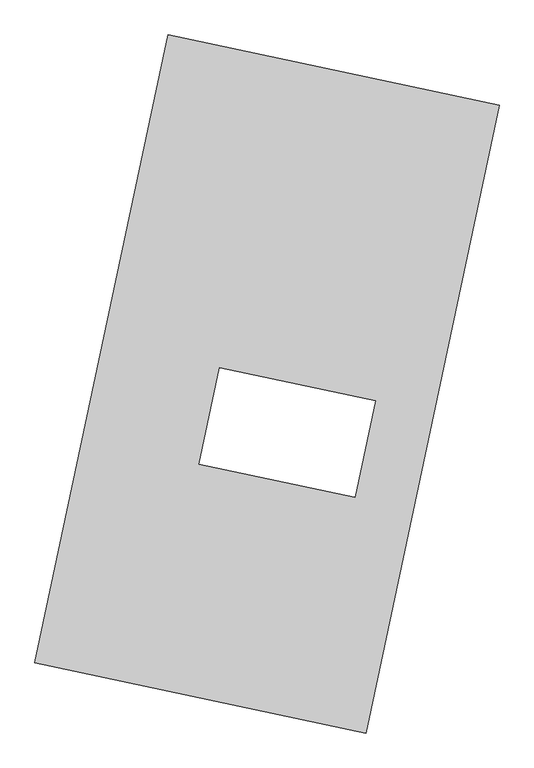
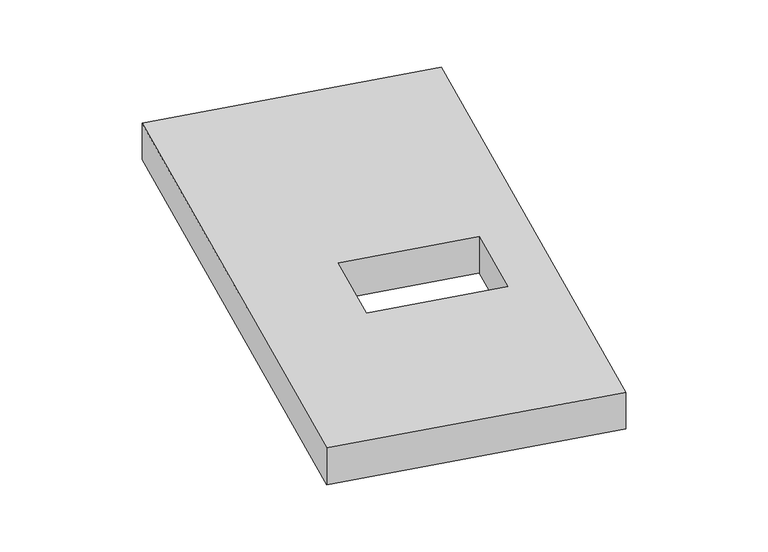
"""IFC4 building model written with IfcOpenShell, lengths in millimetres: proxy geometry."""

from ifc_helpers import new_model, si_unit, origin, origin_with_axes, place, context, project, spatial, polyline, outline, extrude, source, transform, mapped, element, save


def generic_models_b92f76e9(model_context):
    return source(origin(), model_context, "Body", "SweptSolid", [
        extrude(outline(polyline([(-617.3692021, 2175.5580432), (1447.7508745, 1737.3010494), (617.3692021, -2175.5580432), (-1447.7508745, -1737.3010494), (-617.3692021, 2175.5580432)]), holes=[polyline([(677.6092314, -105.834829), (-294.523779, 100.4699257), (-422.1489488, -500.9153441), (549.9840616, -707.2200987), (677.6092314, -105.834829)])]), origin_with_axes(), (0.0, 0.0, 1.0), 300.0),
    ])


if __name__ == "__main__":
    model = new_model("IFC4")
    model_context = context("Model", 3, world=origin())
    ifc_project = project(units=[si_unit("LENGTHUNIT", "METRE", prefix="MILLI")], contexts=[model_context])
    site = spatial("IfcSite", under=ifc_project)
    building = spatial("IfcBuilding", under=site)
    placement = place(None, origin())
    generic_models_shape = generic_models_b92f76e9(model_context)
    element("IfcBuildingElementProxy", 1, Name="Generic Models", at=placement, inside=building, context=model_context, shape_type="MappedRepresentation", body=[
        mapped(generic_models_shape, transform((0.0, 0.0, 0.0), x_axis=(1.0, 0.0, 0.0), y_axis=(0.0, 1.0, 0.0), z_axis=(0.0, 0.0, 1.0))),
    ])
    save(model, "model.ifc")
